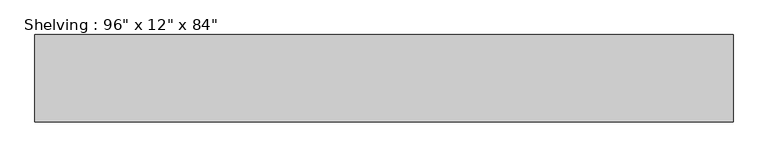
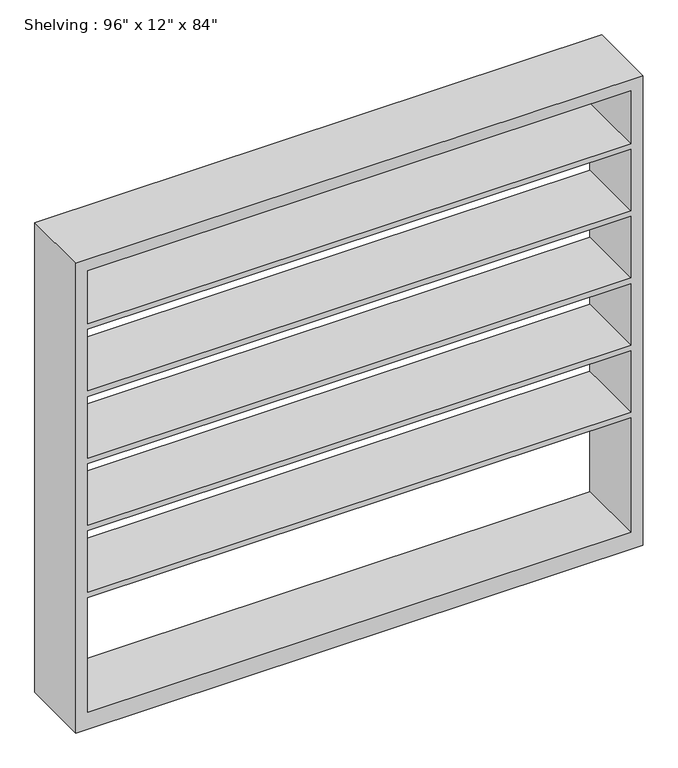
"""IFC4 building model written with IfcOpenShell, lengths in millimetres: furniture geometry."""

from ifc_helpers import new_model, si_unit, frame, origin, place, context, project, spatial, polyline, outline, extrude, source, transform, mapped, element, save


def furniture_b1da5ad0(model_context):
    return source(origin(), model_context, "Body", "SweptSolid", [
        extrude(outline(polyline([(0.0, 1219.2), (2133.6, 1219.2), (2133.6, -1219.2), (0.0, -1219.2), (0.0, 1219.2)]), holes=[polyline([(2082.8, 1168.4), (1841.5, 1168.4), (1841.5, -1168.4), (2082.8, -1168.4), (2082.8, 1168.4)]), polyline([(76.2, 1168.4), (76.2, -1168.4), (596.9, -1168.4), (596.9, 1168.4), (76.2, 1168.4)]), polyline([(1231.9, -1168.4), (1511.3, -1168.4), (1511.3, 1168.4), (1231.9, 1168.4), (1231.9, -1168.4)]), polyline([(1816.1, 1168.4), (1536.7, 1168.4), (1536.7, -1168.4), (1816.1, -1168.4), (1816.1, 1168.4)]), polyline([(1206.5, 1168.4), (927.1, 1168.4), (927.1, -1168.4), (1206.5, -1168.4), (1206.5, 1168.4)]), polyline([(901.7, 1168.4), (622.3, 1168.4), (622.3, -1168.4), (901.7, -1168.4), (901.7, 1168.4)])]), frame((0.0, -457.2, 0.0), z_axis=(0.0, 1.0, 0.0), x_axis=(0.0, 0.0, 1.0)), (0.0, 0.0, 1.0), 304.8),
    ])


if __name__ == "__main__":
    model = new_model("IFC4")
    model_context = context("Model", 3, world=origin())
    ifc_project = project(units=[si_unit("LENGTHUNIT", "METRE", prefix="MILLI")], contexts=[model_context])
    site = spatial("IfcSite", under=ifc_project)
    building = spatial("IfcBuilding", under=site)
    placement = place(None, origin())
    furniture_shape = furniture_b1da5ad0(model_context)
    element("IfcFurniture", 1, ObjectType="Shelving : 96\" x 12\" x 84\"", at=placement, inside=building, context=model_context, shape_type="MappedRepresentation", body=[
        mapped(furniture_shape, transform((0.0, 0.0, 0.0), x_axis=(1.0, 0.0, 0.0), y_axis=(0.0, 1.0, 0.0), z_axis=(0.0, 0.0, 1.0))),
    ])
    save(model, "model.ifc")
